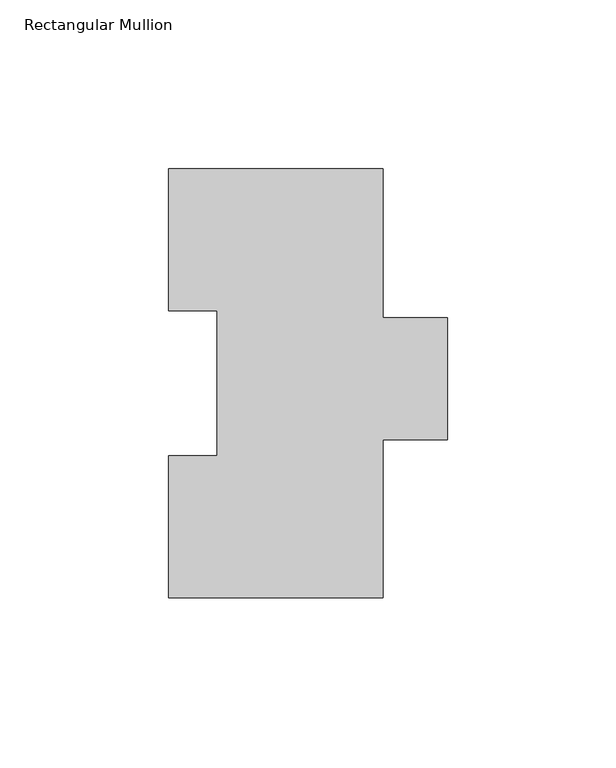
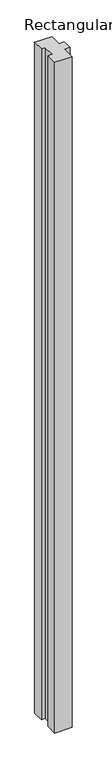
"""IFC4 building model written with IfcOpenShell, lengths in millimetres: member geometry, Rectangular Mullion."""

import ifcopenshell
import ifcopenshell.guid

model = None  # the IFC model being written
_history = None  # IfcOwnerHistory: only IFC2X3 demands one
_inside = {}  # id of a spatial element -> (the spatial element, [elements in it])
_under = {}  # id of a project, library or spatial element -> (it, [spatial elements below it])
_declared = {}  # id of a project -> (the project, [libraries it declares])
_typed = {}  # id of a type object -> (the type object, [elements of that type])
_made_of = {}  # id of a material, layer set ... -> (it, [elements and type objects made of it])


def new_model(schema):
    """Start an empty IFC model of exactly this schema.

    Asked for "IFC4X3", IfcOpenShell would pick the latest addendum, in which some entities
    have other attributes; the version numbers below select the first issue.
    IFC2X3 requires an IfcOwnerHistory on every rooted entity: one is made here for all.
    """
    global model, _history
    if schema == "IFC4X3":
        model = ifcopenshell.file(schema_version=(4, 3, 0, 0))
    else:
        model = ifcopenshell.file(schema=schema)
    _inside.clear()
    _under.clear()
    _declared.clear()
    _typed.clear()
    _made_of.clear()
    _history = None
    if model.schema == "IFC2X3":
        org = make("IfcOrganization", Name="unknown")
        user = make(
            "IfcPersonAndOrganization",
            ThePerson=make("IfcPerson", FamilyName="unknown"),
            TheOrganization=org,
        )
        app = make(
            "IfcApplication",
            ApplicationDeveloper=org,
            Version="unknown",
            ApplicationFullName="unknown",
            ApplicationIdentifier="unknown",
        )
        _history = make(
            "IfcOwnerHistory",
            OwningUser=user,
            OwningApplication=app,
            ChangeAction="ADDED",
            CreationDate=0,
        )
    return model


def make(cls, **values):
    """One entity of the class cls with the attributes given. An attribute that is None is left unset."""
    return model.create_entity(
        cls, **{name: value for name, value in values.items() if value is not None}
    )


def rooted(cls, **values):
    """An entity with a GlobalId (a new one), such as an element, a storey or a relation."""
    return make(cls, GlobalId=ifcopenshell.guid.new(), OwnerHistory=_history, **values)


def si_unit(unit_type, name, prefix=None):
    """IfcSIUnit, for example si_unit("LENGTHUNIT", "METRE", prefix="MILLI")."""
    return make("IfcSIUnit", UnitType=unit_type, Prefix=prefix, Name=name)


def assignment(units):
    """IfcUnitAssignment: the units of a project."""
    return None if units is None else make("IfcUnitAssignment", Units=units)


def point(xyz):
    """IfcCartesianPoint."""
    return None if xyz is None else make("IfcCartesianPoint", Coordinates=xyz)


def direction(xyz):
    """IfcDirection."""
    return None if xyz is None else make("IfcDirection", DirectionRatios=xyz)


def frame(location, z_axis=None, x_axis=None):
    """IfcAxis2Placement3D, a coordinate frame: its origin and axes. An axis left out is left unset."""
    return make(
        "IfcAxis2Placement3D",
        Location=point(location),
        Axis=direction(z_axis),
        RefDirection=direction(x_axis),
    )


def origin():
    """The frame at (0, 0, 0) with its axes left unset."""
    return frame((0.0, 0.0, 0.0))


def place(relative_to, where):
    """IfcLocalPlacement: puts the frame where relative to a parent placement (None: the world)."""
    return make(
        "IfcLocalPlacement", PlacementRelTo=relative_to, RelativePlacement=where
    )


def context(
    kind, dimensions, precision=None, world=None, true_north=None, identifier=None
):
    """IfcGeometricRepresentationContext, for example the 3D "Model" context."""
    return make(
        "IfcGeometricRepresentationContext",
        ContextIdentifier=identifier,
        ContextType=kind,
        CoordinateSpaceDimension=dimensions,
        Precision=precision,
        WorldCoordinateSystem=world,
        TrueNorth=true_north,
    )


def project(units=None, contexts=None):
    """IfcProject with its units and contexts."""
    return rooted(
        "IfcProject",
        Name="project",
        RepresentationContexts=contexts,
        UnitsInContext=assignment(units),
    )


def spatial(cls, under=None, at=None, **own):
    """A site, building, storey or space (cls), placed at a placement, below another one or the project."""
    s = rooted(cls, ObjectPlacement=at, **own)
    if under is not None:
        _under.setdefault(under.id(), (under, []))[1].append(s)
    return s


def polyline(points):
    """IfcPolyline through the points."""
    return make("IfcPolyline", Points=[point(p) for p in points])


def outline(outer, holes=None, kind="AREA"):
    """IfcArbitraryClosedProfileDef: a profile drawn as a closed curve; with holes, ...WithVoids."""
    if holes is None:
        return make("IfcArbitraryClosedProfileDef", ProfileType=kind, OuterCurve=outer)
    return make(
        "IfcArbitraryProfileDefWithVoids",
        ProfileType=kind,
        OuterCurve=outer,
        InnerCurves=holes,
    )


def extrude(swept, where, along, depth):
    """IfcExtrudedAreaSolid: the profile swept, set in the frame where, extruded along a direction by depth."""
    return make(
        "IfcExtrudedAreaSolid",
        SweptArea=swept,
        Position=where,
        ExtrudedDirection=direction(along),
        Depth=depth,
    )


def shape(context_of_items, identifier, shape_type, items):
    """IfcShapeRepresentation: the items that make up one representation, for example the "Body"."""
    return make(
        "IfcShapeRepresentation",
        ContextOfItems=context_of_items,
        RepresentationIdentifier=identifier,
        RepresentationType=shape_type,
        Items=items,
    )


def source(mapping_origin, context_of_items, identifier, shape_type, items):
    """IfcRepresentationMap: a shape defined once, which mapped items show again and again."""
    return make(
        "IfcRepresentationMap",
        MappingOrigin=mapping_origin,
        MappedRepresentation=shape(context_of_items, identifier, shape_type, items),
    )


def transform(
    local_origin,
    x_axis=None,
    y_axis=None,
    z_axis=None,
    scale=None,
    scale2=None,
    scale3=None,
    uniform=True,
):
    """IfcCartesianTransformationOperator3D, or its non-uniform kind. x_axis, y_axis, z_axis: its Axis1, 2, 3."""
    if uniform:
        return make(
            "IfcCartesianTransformationOperator3D",
            Axis1=direction(x_axis),
            Axis2=direction(y_axis),
            LocalOrigin=point(local_origin),
            Scale=scale,
            Axis3=direction(z_axis),
        )
    return make(
        "IfcCartesianTransformationOperator3DnonUniform",
        Axis1=direction(x_axis),
        Axis2=direction(y_axis),
        LocalOrigin=point(local_origin),
        Scale=scale,
        Axis3=direction(z_axis),
        Scale2=scale2,
        Scale3=scale3,
    )


def mapped(mapping_source, mapping_target):
    """IfcMappedItem: shows the shape of a source again, moved by a transform."""
    return make(
        "IfcMappedItem", MappingSource=mapping_source, MappingTarget=mapping_target
    )


def made_of(thing, what):
    """Note that an element or type object is made of a material, layer set ...; save() writes the relation."""
    if what is not None:
        _made_of.setdefault(what.id(), (what, []))[1].append(thing)
    return thing


def element(
    cls,
    number,
    at=None,
    inside=None,
    cuts=None,
    type_object=None,
    material=None,
    context=None,
    identifier="Body",
    shape_type=None,
    held_by="IfcProductDefinitionShape",
    body=None,
    shapes=None,
    **own,
):
    """One element of the class cls, such as IfcWall. Its Tag is "e" and its number.

    at: its placement. inside: the storey or other place that contains it. cuts: it is an
    opening in that element (IfcRelVoidsElement). A single representation is given by context,
    identifier, shape_type and body (its items); several are given by shapes. held_by: the class
    of the entity that holds the representations. save() writes the other relations.
    """
    e = rooted(cls, Tag="e%d" % number, ObjectPlacement=at, **own)
    if body is not None:
        shapes = [shape(context, identifier, shape_type, body)]
    if shapes is not None:
        e.Representation = make(held_by, Representations=shapes)
    if inside is not None:
        _inside.setdefault(inside.id(), (inside, []))[1].append(e)
    if cuts is not None:
        rooted(
            "IfcRelVoidsElement", RelatingBuildingElement=cuts, RelatedOpeningElement=e
        )
    if type_object is not None:
        _typed.setdefault(type_object.id(), (type_object, []))[1].append(e)
    return made_of(e, material)


def aggregate(whole, parts):
    """IfcRelAggregates: a whole, such as a stair, and the parts it consists of."""
    return rooted("IfcRelAggregates", RelatingObject=whole, RelatedObjects=parts)


def save(model, path):
    """Write the relations noted so far, then the file.

    IfcRelAggregates (storeys below a building ...), IfcRelContainedInSpatialStructure (elements
    in a storey), IfcRelDefinesByType, IfcRelAssociatesMaterial and IfcRelDeclares: one each for
    every whole, place, type object, material and project.
    """
    for whole, parts in _under.values():
        aggregate(whole, parts)
    for where, things in _inside.values():
        rooted(
            "IfcRelContainedInSpatialStructure",
            RelatedElements=things,
            RelatingStructure=where,
        )
    for kind, things in _typed.values():
        rooted("IfcRelDefinesByType", RelatedObjects=things, RelatingType=kind)
    for what, things in _made_of.values():
        rooted("IfcRelAssociatesMaterial", RelatedObjects=things, RelatingMaterial=what)
    for by, libraries in _declared.values():
        rooted("IfcRelDeclares", RelatingContext=by, RelatedDefinitions=libraries)
    model.write(path)


def rectangular_mullion_a6f4b2d0(model_context):
    return source(origin(), model_context, "Body", "SweptSolid", [
        extrude(outline(polyline([(31.75, 127.00635), (31.75, 82.9313681), (50.8002713, 82.9313681), (50.8002713, 46.8376), (31.75, 46.8376), (31.75, 0.00635), (-31.7497287, 0.00635), (-31.7497287, 42.08145), (-17.4622287, 42.08145), (-17.4622287, 84.93125), (-31.7502713, 84.93125), (-31.7502713, 127.00635), (31.75, 127.00635)])), frame((0.0, 0.0, -2590.8), z_axis=(0.0, 0.0, 1.0), x_axis=(1.0, 0.0, 0.0)), (0.0, 0.0, 1.0), 2590.8),
    ])


if __name__ == "__main__":
    model = new_model("IFC4")
    model_context = context("Model", 3, world=origin())
    ifc_project = project(units=[si_unit("LENGTHUNIT", "METRE", prefix="MILLI")], contexts=[model_context])
    site = spatial("IfcSite", under=ifc_project)
    building = spatial("IfcBuilding", under=site)
    placement = place(None, origin())
    rectangular_mullion_shape = rectangular_mullion_a6f4b2d0(model_context)
    element("IfcMember", 1, ObjectType="Rectangular Mullion", at=placement, inside=building, context=model_context, shape_type="MappedRepresentation", body=[
        mapped(rectangular_mullion_shape, transform((0.0, 0.0, 0.0), x_axis=(1.0, 0.0, 0.0), y_axis=(0.0, 1.0, 0.0), z_axis=(0.0, 0.0, 1.0))),
    ])
    save(model, "model.ifc")
